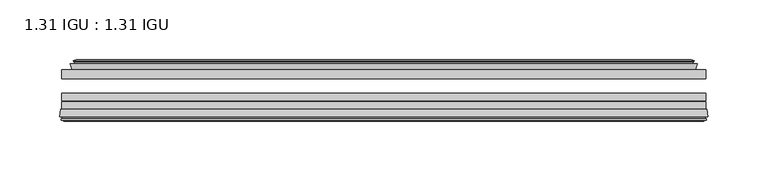
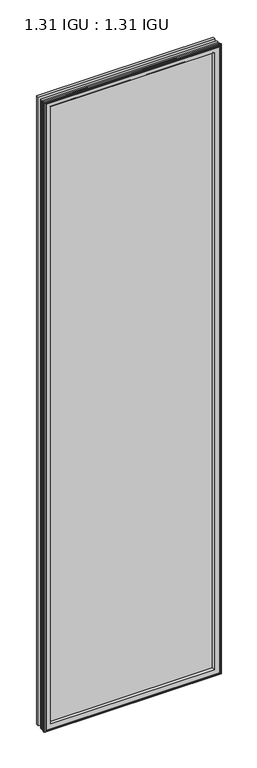
"""IFC4 building model written with IfcOpenShell, lengths in millimetres: plate geometry, 1.31 IGU : 1.31 IGU."""

from ifc_helpers import new_model, si_unit, frame, origin, place, context, project, spatial, polyline, ellipse_curve, outline, extrude, faceted_brep, source, transform, mapped, element, save
from ifc_brep_helpers import plane_surface, revolved_surface, advanced_brep


def plate_1_31_igu_1_31_igu_5d516395(model_context):
    return source(origin(), model_context, "Body", "SolidModel", [
        extrude(outline(polyline([(269.859125, -17.9712937), (269.859125, -25.8960937), (-269.859125, -25.8960937), (-269.859125, -17.9712937), (269.859125, -17.9712937)])), frame((0.0, 0.0, -19.05), z_axis=(0.0, 0.0, 1.0), x_axis=(1.0, 0.0, 0.0)), (0.0, 0.0, 1.0), 2032.0),
        extrude(outline(polyline([(-269.859125, -51.2960937), (-269.859125, -44.9460937), (269.859125, -44.9460937), (269.859125, -51.2960937), (-269.859125, -51.2960937)])), frame((0.0, 0.0, -19.05), z_axis=(0.0, 0.0, 1.0), x_axis=(1.0, 0.0, 0.0)), (0.0, 0.0, 1.0), 2032.0),
        extrude(outline(polyline([(-269.859125, -44.1586938), (-269.859125, -37.8086938), (269.859125, -37.8086938), (269.859125, -44.1586938), (-269.859125, -44.1586938)])), frame((0.0, 0.0, -19.05), z_axis=(0.0, 0.0, 1.0), x_axis=(1.0, 0.0, 0.0)), (0.0, 0.0, 1.0), 2032.0),
        faceted_brep([(-260.9405255, -17.9712937, 2004.0314005), (-262.5847587, -13.1960937, 2005.6756337), (-262.5847587, -13.1960937, -11.7756337), (-260.9405255, -17.9712937, -10.1314005), (-251.329825, -13.1960937, 1994.4207), (-250.1603945, -17.9712937, 1993.2512695), (-250.1603945, -17.9712937, 0.6487305), (-251.329825, -13.1960937, -0.5207), (-256.8945453, -10.902778, 1999.9854203), (-256.2800531, -13.1960937, 1999.3709281), (-256.2800531, -13.1960937, -5.4709281), (-256.8945453, -10.902778, -6.0854203), (-255.5022959, -11.27583, 1998.5931709), (-255.5022959, -11.27583, -4.6931709), (-255.2709787, -10.4125422, 1998.3618537), (-255.2709787, -10.4125422, -4.4618537), (-257.679825, -9.7670937, 2000.7707), (-257.679825, -9.7670937, -6.8707), (-260.0886713, -10.4125422, 2003.1795463), (-260.0886713, -10.4125422, -9.2795463), (-259.8573541, -11.27583, 2002.9482291), (-259.8573541, -11.27583, -9.0482291), (-258.4705264, -10.9042307, 2001.5614014), (-258.4705264, -10.9042307, -7.6614014), (-259.2151979, -13.1960937, 2002.3060729), (-259.2151979, -13.1960937, -8.4060729), (262.5847587, -13.1960937, -11.7756337), (260.9405255, -17.9712937, -10.1314005), (250.1603945, -17.9712937, 0.6487305), (251.329825, -13.1960937, -0.5207), (256.2800531, -13.1960937, -5.4709281), (256.8945453, -10.902778, -6.0854203), (255.5022959, -11.27583, -4.6931709), (255.2709787, -10.4125422, -4.4618537), (257.679825, -9.7670937, -6.8707), (260.0886713, -10.4125422, -9.2795463), (259.8573541, -11.27583, -9.0482291), (258.4705264, -10.9042307, -7.6614014), (259.2151979, -13.1960937, -8.4060729), (262.5847587, -13.1960937, 2005.6756337), (260.9405255, -17.9712937, 2004.0314005), (250.1603945, -17.9712937, 1993.2512695), (251.329825, -13.1960937, 1994.4207), (256.2800531, -13.1960937, 1999.3709281), (256.8945453, -10.902778, 1999.9854203), (255.5022959, -11.27583, 1998.5931709), (255.2709787, -10.4125422, 1998.3618537), (257.679825, -9.7670937, 2000.7707), (260.0886713, -10.4125422, 2003.1795463), (259.8573541, -11.27583, 2002.9482291), (258.4705264, -10.9042307, 2001.5614014), (259.2151979, -13.1960937, 2002.3060729)], [[[0, 1, 2, 3]], [[4, 5, 6, 7]], [[8, 9, 10, 11]], [[12, 8, 11, 13]], [[14, 12, 13, 15]], [[16, 14, 15, 17]], [[18, 16, 17, 19]], [[20, 18, 19, 21]], [[22, 20, 21, 23]], [[24, 22, 23, 25]], [[3, 2, 26, 27]], [[7, 6, 28, 29]], [[11, 10, 30, 31]], [[13, 11, 31, 32]], [[15, 13, 32, 33]], [[17, 15, 33, 34]], [[19, 17, 34, 35]], [[21, 19, 35, 36]], [[23, 21, 36, 37]], [[25, 23, 37, 38]], [[27, 26, 39, 40]], [[29, 28, 41, 42]], [[31, 30, 43, 44]], [[32, 31, 44, 45]], [[33, 32, 45, 46]], [[34, 33, 46, 47]], [[35, 34, 47, 48]], [[36, 35, 48, 49]], [[37, 36, 49, 50]], [[38, 37, 50, 51]], [[40, 39, 1, 0]], [[3, 27, 40, 0], [5, 41, 28, 6]], [[42, 41, 5, 4]], [[9, 43, 30, 10], [7, 29, 42, 4]], [[44, 43, 9, 8]], [[45, 44, 8, 12]], [[46, 45, 12, 14]], [[47, 46, 14, 16]], [[48, 47, 16, 18]], [[49, 48, 18, 20]], [[50, 49, 20, 22]], [[51, 50, 22, 24]], [[1, 39, 26, 2], [25, 38, 51, 24]]]),
        advanced_brep(
        [(-247.1718101, -51.2960937, 1990.2626851), (-250.809125, -57.6460937, 1993.9), (-250.809125, -57.6460937, 0.0), (-247.1718101, -51.2960937, 3.6373149), (-271.4549033, -57.6460937, 2014.5457783), (-270.6752214, -51.2960937, 2013.7660964), (-270.6752214, -51.2960937, -19.8660964), (-271.4549033, -57.6460937, -20.6457783), (-269.0548994, -59.6558685, 2012.1457744), (-269.5139263, -57.6460937, 2012.6048013), (-269.5139263, -57.6460937, -18.7048013), (-269.0548994, -59.6558685, -18.2457744), (-270.0385838, -59.3738016, 2013.1294588), (-270.0385838, -59.3738016, -19.2294588), (-270.2920683, -60.2578071, 2013.3829433), (-270.2920683, -60.2578071, -19.4829433), (-268.2691248, -60.8378768, 2011.3599998), (-268.2691248, -60.8378768, -17.4599998), (-266.2254639, -60.2902795, 2009.3163389), (-266.2254639, -60.2902795, -15.4163389), (-266.4703333, -59.3764147, 2009.5612083), (-266.4703333, -59.3764147, -15.6612083), (-267.4929671, -59.6504286, 2010.5838421), (-267.4929671, -59.6504286, -16.6838421), (-267.0302299, -57.6460937, 2010.1211049), (-267.0302299, -57.6460937, -16.2211049), (250.809125, -57.6460938, 0.0), (247.1718101, -51.2960937, 3.6373149), (270.6752214, -51.2960937, -19.8660964), (271.4549033, -57.6460938, -20.6457783), (269.5139263, -57.6460938, -18.7048013), (269.0548994, -59.6558685, -18.2457744), (270.0385838, -59.3738016, -19.2294588), (270.2920683, -60.2578071, -19.4829433), (268.2691248, -60.8378768, -17.4599998), (266.2254639, -60.2902795, -15.4163389), (266.4703333, -59.3764147, -15.6612083), (267.4929671, -59.6504286, -16.6838421), (267.0302299, -57.6460938, -16.2211049), (250.809125, -57.6460938, 1993.9), (247.1718101, -51.2960937, 1990.2626851), (270.6752214, -51.2960937, 2013.7660964), (271.4549033, -57.6460938, 2014.5457783), (269.5139263, -57.6460938, 2012.6048013), (269.0548994, -59.6558685, 2012.1457744), (270.0385838, -59.3738016, 2013.1294588), (270.2920683, -60.2578071, 2013.3829433), (268.2691248, -60.8378768, 2011.3599998), (266.2254639, -60.2902795, 2009.3163389), (266.4703333, -59.3764147, 2009.5612083), (267.4929671, -59.6504286, 2010.5838421), (267.0302299, -57.6460938, 2010.1211049)],
        [
            (0, 1, ellipse_curve(frame((-242.37818, -58.2586484, 1985.469055), z_axis=(0.7071067811865475, 0.0, 0.7071067811865475), x_axis=(0.7071067811865474, 0.0, -0.7071067811865476)), 11.9545855, 8.4531685)),
            (1, 2),
            (2, 3, ellipse_curve(frame((-242.37818, -58.2586484, 8.430945), z_axis=(0.7071067811865475, 0.0, -0.7071067811865475), x_axis=(-0.7071067811865474, 0.0, -0.7071067811865476)), 11.9545855, 8.4531685)),
            (3, 0),
            (4, 5),
            (5, 6),
            (6, 7),
            (7, 4),
            (8, 9),
            (9, 10),
            (10, 11),
            (11, 8),
            (12, 8),
            (11, 13),
            (13, 12),
            (14, 12),
            (13, 15),
            (15, 14),
            (16, 14),
            (15, 17),
            (17, 16),
            (18, 16),
            (17, 19),
            (19, 18),
            (20, 18),
            (19, 21),
            (21, 20),
            (22, 20),
            (21, 23),
            (23, 22),
            (24, 22),
            (23, 25),
            (25, 24),
            (2, 26),
            (26, 27, ellipse_curve(frame((242.37818, -58.2586484, 8.430945), z_axis=(0.7071067811865475, 0.0, 0.7071067811865475), x_axis=(0.7071067811865476, 0.0, -0.7071067811865474)), 11.9545855, 8.4531685)),
            (27, 3),
            (6, 28),
            (28, 29),
            (29, 7),
            (10, 30),
            (30, 31),
            (31, 11),
            (31, 32),
            (32, 13),
            (32, 33),
            (33, 15),
            (33, 34),
            (34, 17),
            (34, 35),
            (35, 19),
            (35, 36),
            (36, 21),
            (36, 37),
            (37, 23),
            (37, 38),
            (38, 25),
            (26, 39),
            (39, 40, ellipse_curve(frame((242.37818, -58.2586484, 1985.469055), z_axis=(-0.7071067811865475, 0.0, 0.7071067811865475), x_axis=(0.7071067811865474, 0.0, 0.7071067811865476)), 11.9545855, 8.4531685)),
            (40, 27),
            (28, 41),
            (41, 42),
            (42, 29),
            (30, 43),
            (43, 44),
            (44, 31),
            (44, 45),
            (45, 32),
            (45, 46),
            (46, 33),
            (46, 47),
            (47, 34),
            (47, 48),
            (48, 35),
            (48, 49),
            (49, 36),
            (49, 50),
            (50, 37),
            (50, 51),
            (51, 38),
            (51, 24),
            (1, 39),
            (0, 40),
            (5, 41),
            (4, 42),
            (9, 43),
            (8, 44),
            (12, 45),
            (14, 46),
            (16, 47),
            (18, 48),
            (20, 49),
            (22, 50),
        ],
        [
            revolved_surface(polyline([(-250.8313485, -58.2586484, -0.02222347332440222), (-250.8313485, -58.2586484, 1993.9222234733245)]), (-242.37818, -58.2586484, 2025.65), (0.0, 0.0, -1.0)),
            plane_surface(frame((-270.6752214, -51.2960937, 2013.7660964), z_axis=(-0.9925461516413234, 0.12186934340513636, 0.0), x_axis=(0.0, 0.0, -1.0))),
            plane_surface(frame((-269.5139263, -57.6460937, 2012.6048013), z_axis=(-0.9748953990049445, -0.22266333555165796, 0.0), x_axis=(0.0, 0.0, -1.0))),
            plane_surface(frame((-269.0548994, -59.6558685, 2012.1457744), z_axis=(0.27563735581726606, 0.9612616959382424, 0.0), x_axis=(0.0, 0.0, -1.0))),
            plane_surface(frame((-270.0385838, -59.3738016, 2013.1294588), z_axis=(-0.9612616959382463, 0.2756373558172523, 0.0), x_axis=(0.0, 0.0, -1.0))),
            plane_surface(frame((-270.2920683, -60.2578071, 2013.3829433), z_axis=(-0.2756373558170135, -0.9612616959383148, 0.0), x_axis=(0.0, 0.0, -1.0))),
            plane_surface(frame((-268.2691248, -60.8378768, 2011.3599998), z_axis=(0.25881904510226056, -0.965925826289138, 0.0), x_axis=(0.0, 0.0, -1.0))),
            plane_surface(frame((-266.2254639, -60.2902795, 2009.3163389), z_axis=(0.9659258262891444, 0.25881904510223736, 0.0), x_axis=(0.0, 0.0, -1.0))),
            plane_surface(frame((-266.4703333, -59.3764147, 2009.5612083), z_axis=(-0.2588190451025015, 0.9659258262890735, 0.0), x_axis=(0.0, 0.0, -1.0))),
            plane_surface(frame((-267.4929671, -59.6504286, 2010.5838421), z_axis=(0.9743700647852117, -0.22495105434396695, 0.0), x_axis=(0.0, 0.0, -1.0))),
            revolved_surface(polyline([(250.83134847332428, -58.2586484, -0.02222350000000084), (-250.83134847332437, -58.2586484, -0.02222350000000084)]), (-282.559125, -58.2586484, 8.430945), (1.0, 0.0, 0.0)),
            plane_surface(frame((-270.6752214, -51.2960937, -19.8660964), z_axis=(0.0, 0.12186934340513315, -0.9925461516413239), x_axis=(1.0, 0.0, 0.0))),
            plane_surface(frame((-269.5139263, -57.6460937, -18.7048013), z_axis=(0.0, -0.22266333555166112, -0.9748953990049438), x_axis=(1.0, 0.0, 0.0))),
            plane_surface(frame((-269.0548994, -59.6558685, -18.2457744), z_axis=(0.0, 0.9612616959382433, 0.27563735581726295), x_axis=(1.0, 0.0, 0.0))),
            plane_surface(frame((-270.0385838, -59.3738016, -19.2294588), z_axis=(0.0, 0.2756373558172492, -0.9612616959382472), x_axis=(1.0, 0.0, 0.0))),
            plane_surface(frame((-270.2920683, -60.2578071, -19.4829433), z_axis=(0.0, -0.9612616959383157, -0.2756373558170104), x_axis=(1.0, 0.0, 0.0))),
            plane_surface(frame((-268.2691248, -60.8378768, -17.4599998), z_axis=(0.0, -0.9659258262891373, 0.2588190451022637), x_axis=(1.0, 0.0, 0.0))),
            plane_surface(frame((-266.2254639, -60.2902795, -15.4163389), z_axis=(0.0, 0.25881904510224046, 0.9659258262891435), x_axis=(1.0, 0.0, 0.0))),
            plane_surface(frame((-266.4703333, -59.3764147, -15.6612083), z_axis=(0.0, 0.9659258262890726, -0.2588190451025046), x_axis=(1.0, 0.0, 0.0))),
            plane_surface(frame((-267.4929671, -59.6504286, -16.6838421), z_axis=(0.0, -0.22495105434396379, 0.9743700647852125), x_axis=(1.0, 0.0, 0.0))),
            revolved_surface(polyline([(250.8313485, -58.2586484, 1993.9222234733245), (250.8313485, -58.2586484, -0.022223473324370246)]), (242.37818, -58.2586484, -31.75), (0.0, 0.0, 1.0)),
            plane_surface(frame((270.6752214, -51.2960937, -19.8660964), z_axis=(0.9925461516413243, 0.12186934340512995, 0.0), x_axis=(0.0, 0.0, 1.0))),
            plane_surface(frame((269.5139263, -57.6460938, -18.7048013), z_axis=(0.9748953990049432, -0.2226633355516643, 0.0), x_axis=(0.0, 0.0, 1.0))),
            plane_surface(frame((269.0548994, -59.6558685, -18.2457744), z_axis=(-0.27563735581725984, 0.9612616959382442, 0.0), x_axis=(0.0, 0.0, 1.0))),
            plane_surface(frame((270.0385838, -59.3738016, -19.2294588), z_axis=(0.9612616959382481, 0.2756373558172461, 0.0), x_axis=(0.0, 0.0, 1.0))),
            plane_surface(frame((270.2920683, -60.2578071, -19.4829433), z_axis=(0.27563735581700727, -0.9612616959383166, 0.0), x_axis=(0.0, 0.0, 1.0))),
            plane_surface(frame((268.2691248, -60.8378768, -17.4599998), z_axis=(-0.25881904510226683, -0.9659258262891364, 0.0), x_axis=(0.0, 0.0, 1.0))),
            plane_surface(frame((266.2254639, -60.2902795, -15.4163389), z_axis=(-0.9659258262891426, 0.2588190451022436, 0.0), x_axis=(0.0, 0.0, 1.0))),
            plane_surface(frame((266.4703333, -59.3764147, -15.6612083), z_axis=(0.2588190451025077, 0.9659258262890718, 0.0), x_axis=(0.0, 0.0, 1.0))),
            plane_surface(frame((267.4929671, -59.6504286, -16.6838421), z_axis=(-0.9743700647852133, -0.22495105434396062, 0.0), x_axis=(0.0, 0.0, 1.0))),
            plane_surface(frame((267.0302299, -57.6460938, 2010.1211049), z_axis=(0.0, -1.0, 0.0), x_axis=(-1.0, 0.0, 0.0))),
            revolved_surface(polyline([(-250.83134847332428, -58.2586484, 1993.9222235), (250.83134847332437, -58.2586484, 1993.9222235)]), (282.559125, -58.2586484, 1985.469055), (-1.0, 0.0, 0.0)),
            plane_surface(frame((247.1718101, -51.2960937, 1990.2626851), z_axis=(0.0, 1.0, 0.0), x_axis=(-1.0, 0.0, 0.0))),
            plane_surface(frame((270.6752214, -51.2960937, 2013.7660964), z_axis=(0.0, 0.12186934340513315, 0.9925461516413239), x_axis=(-1.0, 0.0, 0.0))),
            plane_surface(frame((271.4549033, -57.6460938, 2014.5457783), z_axis=(0.0, -1.0, 0.0), x_axis=(-1.0, 0.0, 0.0))),
            plane_surface(frame((269.5139263, -57.6460938, 2012.6048013), z_axis=(0.0, -0.22266333555166112, 0.9748953990049438), x_axis=(-1.0, 0.0, 0.0))),
            plane_surface(frame((269.0548994, -59.6558685, 2012.1457744), z_axis=(0.0, 0.9612616959382433, -0.27563735581726295), x_axis=(-1.0, 0.0, 0.0))),
            plane_surface(frame((270.0385838, -59.3738016, 2013.1294588), z_axis=(0.0, 0.2756373558172492, 0.9612616959382472), x_axis=(-1.0, 0.0, 0.0))),
            plane_surface(frame((270.2920683, -60.2578071, 2013.3829433), z_axis=(0.0, -0.9612616959383157, 0.2756373558170104), x_axis=(-1.0, 0.0, 0.0))),
            plane_surface(frame((268.2691248, -60.8378768, 2011.3599998), z_axis=(0.0, -0.9659258262891373, -0.2588190451022637), x_axis=(-1.0, 0.0, 0.0))),
            plane_surface(frame((266.2254639, -60.2902795, 2009.3163389), z_axis=(0.0, 0.25881904510224046, -0.9659258262891435), x_axis=(-1.0, 0.0, 0.0))),
            plane_surface(frame((266.4703333, -59.3764147, 2009.5612083), z_axis=(0.0, 0.9659258262890726, 0.2588190451025046), x_axis=(-1.0, 0.0, 0.0))),
            plane_surface(frame((267.4929671, -59.6504286, 2010.5838421), z_axis=(0.0, -0.22495105434396379, -0.9743700647852125), x_axis=(-1.0, 0.0, 0.0))),
        ],
        [
            (0, [[1, 2, 3, 4]]),
            (1, [[5, 6, 7, 8]]),
            (2, [[9, 10, 11, 12]]),
            (3, [[13, -12, 14, 15]]),
            (4, [[16, -15, 17, 18]]),
            (5, [[19, -18, 20, 21]]),
            (6, [[22, -21, 23, 24]]),
            (7, [[25, -24, 26, 27]]),
            (8, [[28, -27, 29, 30]]),
            (9, [[31, -30, 32, 33]]),
            (10, [[-3, 34, 35, 36]]),
            (11, [[-7, 37, 38, 39]]),
            (12, [[-11, 40, 41, 42]]),
            (13, [[-14, -42, 43, 44]]),
            (14, [[-17, -44, 45, 46]]),
            (15, [[-20, -46, 47, 48]]),
            (16, [[-23, -48, 49, 50]]),
            (17, [[-26, -50, 51, 52]]),
            (18, [[-29, -52, 53, 54]]),
            (19, [[-32, -54, 55, 56]]),
            (20, [[-35, 57, 58, 59]]),
            (21, [[-38, 60, 61, 62]]),
            (22, [[-41, 63, 64, 65]]),
            (23, [[-43, -65, 66, 67]]),
            (24, [[-45, -67, 68, 69]]),
            (25, [[-47, -69, 70, 71]]),
            (26, [[-49, -71, 72, 73]]),
            (27, [[-51, -73, 74, 75]]),
            (28, [[-53, -75, 76, 77]]),
            (29, [[-55, -77, 78, 79]]),
            (30, [[-56, -79, 80, -33], [81, -57, -34, -2]]),
            (31, [[-58, -81, -1, 82]]),
            (32, [[83, -60, -37, -6], [-36, -59, -82, -4]]),
            (33, [[-61, -83, -5, 84]]),
            (34, [[-39, -62, -84, -8], [85, -63, -40, -10]]),
            (35, [[-64, -85, -9, 86]]),
            (36, [[-66, -86, -13, 87]]),
            (37, [[-68, -87, -16, 88]]),
            (38, [[-70, -88, -19, 89]]),
            (39, [[-72, -89, -22, 90]]),
            (40, [[-74, -90, -25, 91]]),
            (41, [[-76, -91, -28, 92]]),
            (42, [[-78, -92, -31, -80]]),
        ],
    ),
    ])


if __name__ == "__main__":
    model = new_model("IFC4")
    model_context = context("Model", 3, world=origin())
    ifc_project = project(units=[si_unit("LENGTHUNIT", "METRE", prefix="MILLI")], contexts=[model_context])
    site = spatial("IfcSite", under=ifc_project)
    building = spatial("IfcBuilding", under=site)
    placement = place(None, origin())
    plate_1_31_igu_1_31_igu_shape = plate_1_31_igu_1_31_igu_5d516395(model_context)
    element("IfcPlate", 1, ObjectType="1.31 IGU : 1.31 IGU", at=placement, inside=building, context=model_context, shape_type="MappedRepresentation", body=[
        mapped(plate_1_31_igu_1_31_igu_shape, transform((0.0, 0.0, 0.0), x_axis=(1.0, 0.0, 0.0), y_axis=(0.0, 1.0, 0.0), z_axis=(0.0, 0.0, 1.0))),
    ])
    save(model, "model.ifc")
